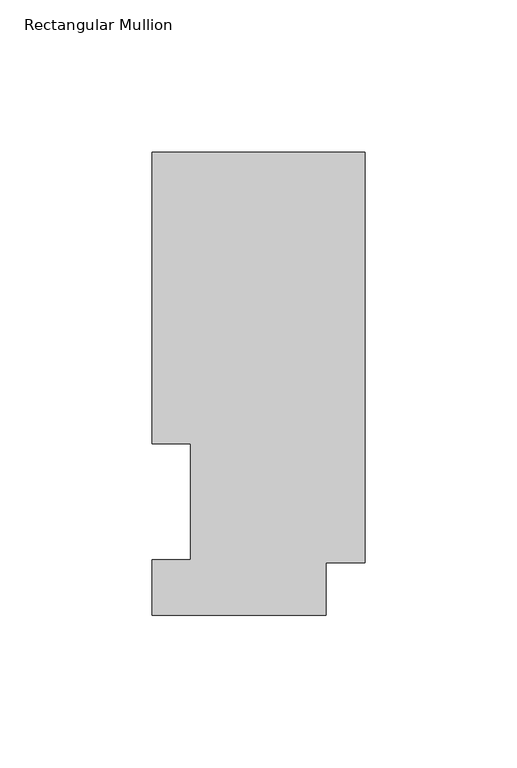
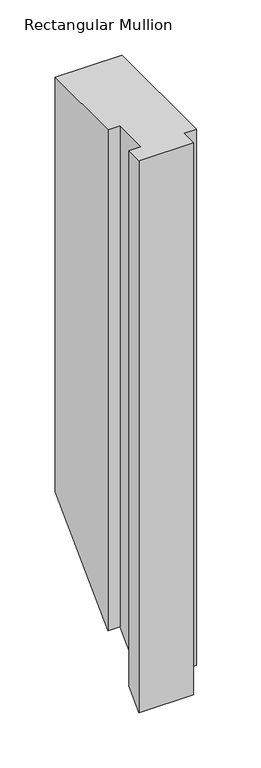
"""IFC4 building model written with IfcOpenShell, lengths in millimetres: member geometry, Rectangular Mullion."""

from ifc_helpers import new_model, si_unit, origin, place, context, project, spatial, faceted_brep, source, transform, mapped, element, save


def rectangular_mullion_f1ee96ca(model_context):
    return source(origin(), model_context, "Body", "Brep", [
        faceted_brep([(0.0, 151.98725, 0.0), (-69.85, 151.98725, 0.0), (-69.85, 56.35625, 0.0), (-57.15, 56.35625, 0.0), (-57.15, 18.25625, 0.0), (-69.85, 18.25625, 0.0), (-69.85, -0.03175, 0.0), (-12.7, -0.03175, 0.0), (-12.7, 17.2502496, 0.0), (0.0, 17.2502496, 0.0), (0.0, 151.98725, -457.581), (-69.85, 151.98725, -457.581), (-69.85, 56.35625, -553.212), (-57.15, 56.35625, -553.212), (-57.15, 18.25625, -591.312), (-69.85, 18.25625, -591.312), (-69.85, -0.03175, -609.6), (-12.7, -0.03175, -609.6), (-12.7, 17.2502496, -592.3180004), (0.0, 17.2502496, -592.3180004)], [[[0, 1, 2, 3, 4, 5, 6, 7, 8, 9]], [[1, 0, 10, 11]], [[2, 1, 11, 12]], [[3, 2, 12, 13]], [[4, 3, 13, 14]], [[5, 4, 14, 15]], [[6, 5, 15, 16]], [[7, 6, 16, 17]], [[8, 7, 17, 18]], [[9, 8, 18, 19]], [[0, 9, 19, 10]], [[10, 19, 18, 17, 16, 15, 14, 13, 12, 11]]]),
    ])


if __name__ == "__main__":
    model = new_model("IFC4")
    model_context = context("Model", 3, world=origin())
    ifc_project = project(units=[si_unit("LENGTHUNIT", "METRE", prefix="MILLI")], contexts=[model_context])
    site = spatial("IfcSite", under=ifc_project)
    building = spatial("IfcBuilding", under=site)
    placement = place(None, origin())
    rectangular_mullion_shape = rectangular_mullion_f1ee96ca(model_context)
    element("IfcMember", 1, ObjectType="Rectangular Mullion", at=placement, inside=building, context=model_context, shape_type="MappedRepresentation", body=[
        mapped(rectangular_mullion_shape, transform((0.0, 0.0, 0.0), x_axis=(1.0, 0.0, 0.0), y_axis=(0.0, 1.0, 0.0), z_axis=(0.0, 0.0, 1.0))),
    ])
    save(model, "model.ifc")
